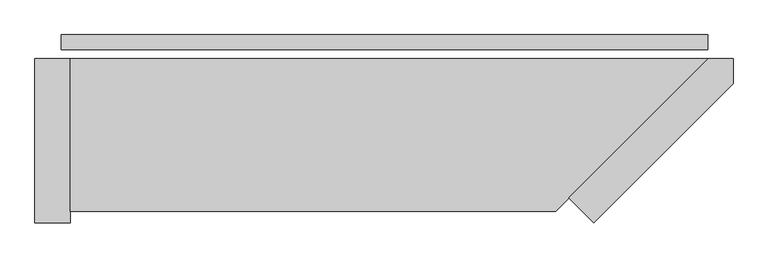
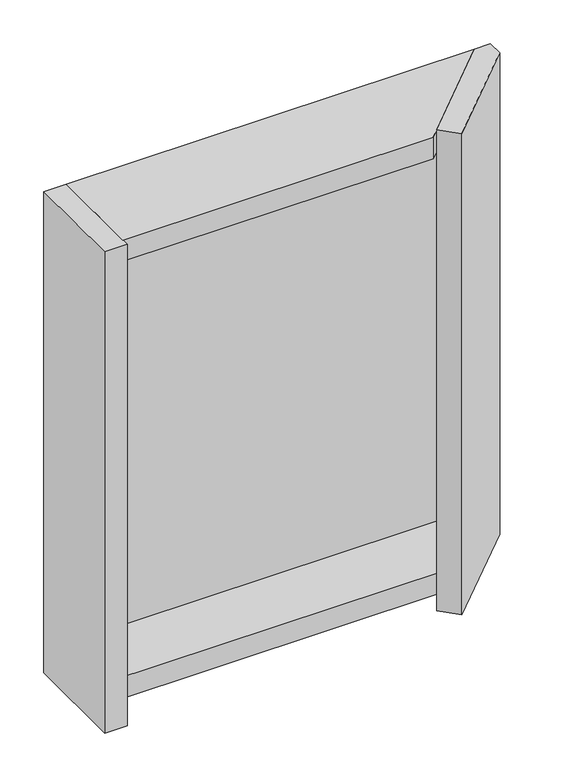
"""IFC4 building model written with IfcOpenShell, lengths in millimetres: plate geometry."""

from ifc_helpers import new_model, si_unit, frame, origin, origin_with_axes, place, context, project, spatial, polyline, outline, extrude, source, transform, mapped, element, save


def plate_dfd3db78(model_context):
    return source(origin(), model_context, "Body", "SweptSolid", [
        extrude(outline(polyline([(550.5, 0.0), (550.5, -25.0), (-550.5, -25.0), (-550.5, 0.0), (550.5, 0.0)])), origin_with_axes(), (0.0, 0.0, 1.0), 1264.465707),
        extrude(outline(polyline([(313.5, -278.5735931), (551.0735931, -41.0), (593.5, -41.0), (593.5, -83.4264069), (355.9264069, -321.0), (313.5, -278.5735931)])), frame((0.0, 0.0, -45.0), z_axis=(0.0, 0.0, 1.0), x_axis=(1.0, 0.0, 0.0)), (0.0, 0.0, 1.0), 1354.465707),
        extrude(outline(polyline([(-535.5, -301.0), (-535.5, -41.0), (551.0735931, -41.0), (291.0735931, -301.0), (-535.5, -301.0)])), frame((0.0, 0.0, 1249.465707), z_axis=(0.0, 0.0, 1.0), x_axis=(1.0, 0.0, 0.0)), (0.0, 0.0, 1.0), 60.0),
        extrude(outline(polyline([(-535.5, -221.0), (-535.5, -41.0), (551.0735931, -41.0), (371.0735931, -221.0), (-535.5, -221.0)])), frame((0.0, 0.0, -45.0), z_axis=(0.0, 0.0, 1.0), x_axis=(1.0, 0.0, 0.0)), (0.0, 0.0, 1.0), 60.0),
        extrude(outline(polyline([(-595.5, -41.0), (-535.5, -41.0), (-535.5, -321.0), (-595.5, -321.0), (-595.5, -41.0)])), frame((0.0, 0.0, -45.0), z_axis=(0.0, 0.0, 1.0), x_axis=(1.0, 0.0, 0.0)), (0.0, 0.0, 1.0), 1354.465707),
    ])


if __name__ == "__main__":
    model = new_model("IFC4")
    model_context = context("Model", 3, world=origin())
    ifc_project = project(units=[si_unit("LENGTHUNIT", "METRE", prefix="MILLI")], contexts=[model_context])
    site = spatial("IfcSite", under=ifc_project)
    building = spatial("IfcBuilding", under=site)
    placement = place(None, origin())
    plate_shape = plate_dfd3db78(model_context)
    element("IfcPlate", 1, at=placement, inside=building, context=model_context, shape_type="MappedRepresentation", body=[
        mapped(plate_shape, transform((0.0, 0.0, 0.0), x_axis=(1.0, 0.0, 0.0), y_axis=(0.0, 1.0, 0.0), z_axis=(0.0, 0.0, 1.0))),
    ])
    save(model, "model.ifc")
